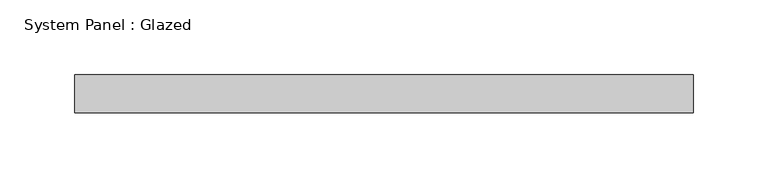
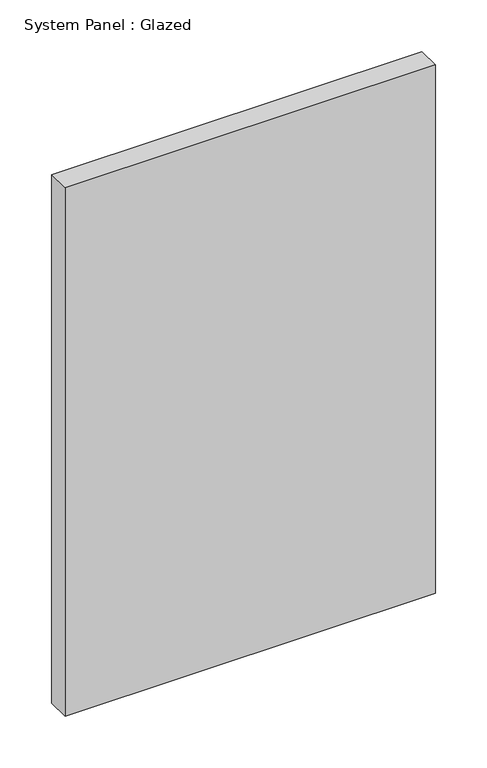
"""IFC4 building model written with IfcOpenShell, lengths in millimetres: plate geometry, System Panel : Glazed."""

from ifc_helpers import new_model, si_unit, origin, origin_with_axes, place, context, project, spatial, polyline, outline, extrude, source, transform, mapped, element, save


def system_panel_glazed_b0fca9c9(model_context):
    return source(origin(), model_context, "Body", "SweptSolid", [
        extrude(outline(polyline([(206.375, 19.05), (-206.375, 19.05), (-206.375, 44.45), (206.375, 44.45), (206.375, 19.05)])), origin_with_axes(), (0.0, 0.0, 1.0), 622.3),
    ])


if __name__ == "__main__":
    model = new_model("IFC4")
    model_context = context("Model", 3, world=origin())
    ifc_project = project(units=[si_unit("LENGTHUNIT", "METRE", prefix="MILLI")], contexts=[model_context])
    site = spatial("IfcSite", under=ifc_project)
    building = spatial("IfcBuilding", under=site)
    placement = place(None, origin())
    system_panel_glazed_shape = system_panel_glazed_b0fca9c9(model_context)
    element("IfcPlate", 1, ObjectType="System Panel : Glazed", at=placement, inside=building, context=model_context, shape_type="MappedRepresentation", body=[
        mapped(system_panel_glazed_shape, transform((0.0, 0.0, 0.0), x_axis=(1.0, 0.0, 0.0), y_axis=(0.0, 1.0, 0.0), z_axis=(0.0, 0.0, 1.0))),
    ])
    save(model, "model.ifc")
